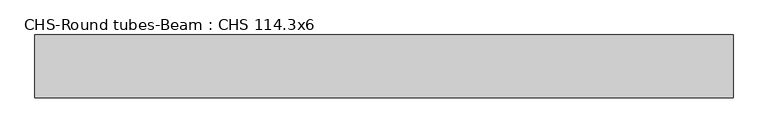
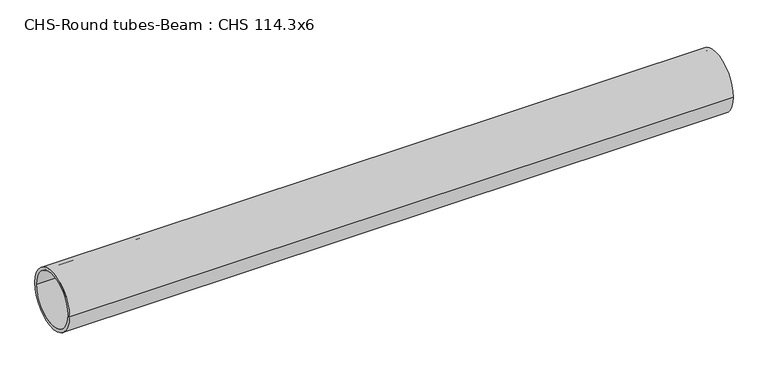
"""IFC4 building model written with IfcOpenShell, lengths in millimetres: beam geometry, CHS-Round tubes-Beam : CHS 114.3x6."""

from ifc_helpers import new_model, si_unit, point, frame, origin, origin_2d, place, context, project, spatial, circle_curve, trimmed, segment, composite_curve, outline, extrude, source, transform, mapped, element, save


def chs_round_tubes_beam_chs_114_3x6_694bb20e(model_context):
    return source(origin(), model_context, "Body", "SweptSolid", [
        extrude(outline(composite_curve([segment(trimmed(circle_curve(origin_2d(), 57.15), [point((57.15, 0.0))], [point((-57.15, 0.0))], False, "CARTESIAN"), True, "CONTINUOUS"), segment(trimmed(circle_curve(origin_2d(), 57.15), [point((-57.15, 0.0))], [point((57.15, 0.0))], False, "CARTESIAN"), True, "CONTINUOUS")], self_intersect=False), holes=[composite_curve([segment(trimmed(circle_curve(origin_2d(), 51.15), [point((51.15, 0.0))], [point((-51.15, 0.0))], True, "CARTESIAN"), True, "CONTINUOUS"), segment(trimmed(circle_curve(origin_2d(), 51.15), [point((-51.15, 0.0))], [point((51.15, 0.0))], True, "CARTESIAN"), True, "CONTINUOUS")], self_intersect=False)]), frame((-639.1204972, 0.0, 0.0), z_axis=(1.0, 0.0, 0.0), x_axis=(0.0, 1.0, 0.0)), (0.0, 0.0, 1.0), 1268.9524708),
    ])


if __name__ == "__main__":
    model = new_model("IFC4")
    model_context = context("Model", 3, world=origin())
    ifc_project = project(units=[si_unit("LENGTHUNIT", "METRE", prefix="MILLI")], contexts=[model_context])
    site = spatial("IfcSite", under=ifc_project)
    building = spatial("IfcBuilding", under=site)
    placement = place(None, origin())
    chs_round_tubes_beam_chs_114_3x6_shape = chs_round_tubes_beam_chs_114_3x6_694bb20e(model_context)
    element("IfcBeam", 1, ObjectType="CHS-Round tubes-Beam : CHS 114.3x6", at=placement, inside=building, context=model_context, shape_type="MappedRepresentation", body=[
        mapped(chs_round_tubes_beam_chs_114_3x6_shape, transform((0.0, 0.0, 0.0), x_axis=(1.0, 0.0, 0.0), y_axis=(0.0, 1.0, 0.0), z_axis=(0.0, 0.0, 1.0))),
    ])
    save(model, "model.ifc")
